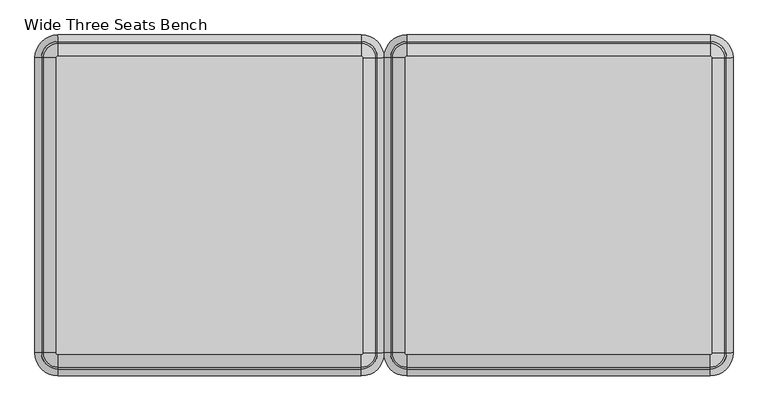
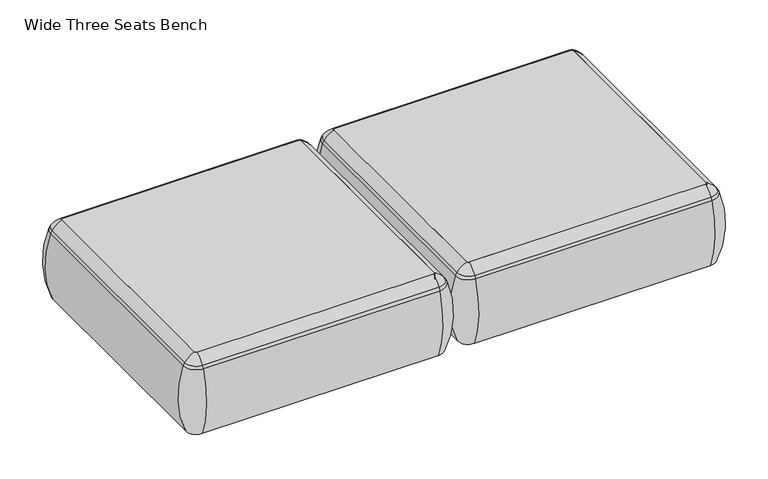
"""IFC4 building model written with IfcOpenShell, lengths in millimetres: furniture geometry, Wide Three Seats Bench."""

from ifc_helpers import new_model, si_unit, point, frame, frame_2d, origin, place, context, project, spatial, polyline, circle_curve, ellipse_curve, trimmed, segment, composite_curve, outline, extrude, source, transform, mapped, element, save
from ifc_brep_helpers import plane_surface, cylinder_surface, revolved_surface, advanced_brep


def wide_three_seats_bench_50f80e53(model_context):
    return source(origin(), model_context, "Body", "SolidModel", [
        advanced_brep(
        [(-550.6150954, -668.4794123, 390.3914007), (-545.3352882, -673.7592195, 390.3914007), (-545.3352882, -673.7592195, 123.9999984), (-550.6150954, -668.4794123, 123.9999984), (-579.3031396, -668.4794123, 123.9999984), (-545.3352882, -702.4472637, 123.9999984), (-545.3352882, -710.1267287, 353.7769053), (-586.9826046, -668.4794123, 353.7769053), (-550.6150954, 89.8571486, 123.9999984), (-550.6150954, 89.8571486, 390.3914007), (-586.9826046, 89.8571486, 353.7769053), (-579.3031396, 89.8571486, 123.9999984), (-545.3352882, 95.1369558, 390.3914007), (-545.3352882, 95.1369558, 123.9999984), (-545.3352882, 123.825, 123.9999984), (-545.3352882, 131.504465, 353.7769053), (234.4447118, 95.1369558, 123.9999984), (234.4447118, 95.1369558, 390.3914007), (234.4447118, 131.504465, 353.7769053), (234.4447118, 123.825, 123.9999984), (239.7245191, 89.8571486, 390.3914007), (239.7245191, 89.8571486, 123.9999984), (268.4125633, 89.8571486, 123.9999984), (276.0920283, 89.8571486, 353.7769053), (239.7245191, -668.4794123, 123.9999984), (239.7245191, -668.4794123, 390.3914007), (276.0920283, -668.4794123, 353.7769053), (268.4125633, -668.4794123, 123.9999984), (234.4447118, -673.7592195, 390.3914007), (234.4447118, -673.7592195, 123.9999984), (234.4447118, -702.4472637, 123.9999984), (234.4447118, -710.1267287, 353.7769053), (-581.7641447, -668.4794123, 363.6402875), (-545.3352882, -704.9082688, 363.6402875), (-581.7641447, 89.8571486, 363.6402875), (-545.3352882, 126.2860051, 363.6402875), (234.4447118, 126.2860051, 363.6402875), (270.8735684, 89.8571486, 363.6402875), (270.8735684, -668.4794123, 363.6402875), (234.4447118, -704.9082688, 363.6402875)],
        [
            (0, 1, circle_curve(frame((-545.3352882, -668.4794123, 390.3914007), z_axis=(0.0, 0.0, 1.0), x_axis=(0.0, -1.0, 0.0)), 5.2798073)),
            (1, 2),
            (2, 3, circle_curve(frame((-545.3352882, -668.4794123, 123.9999984), z_axis=(0.0, 0.0, -1.0), x_axis=(0.0, -1.0, 0.0)), 5.2798073)),
            (3, 0),
            (4, 5, circle_curve(frame((-545.3352882, -668.4794123, 123.9999984), z_axis=(0.0, 0.0, 1.0), x_axis=(0.0, -1.0, 0.0)), 33.9678514)),
            (5, 6, circle_curve(frame((-545.3352882, -406.0729797, 248.9220234), z_axis=(-1.0, 0.0, 0.0), x_axis=(0.0, -1.0, 0.0)), 321.625914)),
            (6, 7, circle_curve(frame((-545.3352882, -668.4794123, 353.7769053), z_axis=(0.0, 0.0, -1.0), x_axis=(0.0, -1.0, 0.0)), 41.6473165)),
            (7, 4, circle_curve(frame((-282.9288556, -668.4794123, 248.9220234), z_axis=(0.0, -1.0, 0.0), x_axis=(-1.0, 0.0, 0.0)), 321.625914)),
            (3, 8),
            (8, 9),
            (9, 0),
            (7, 10),
            (10, 11, circle_curve(frame((-282.9288556, 89.8571486, 248.9220234), z_axis=(0.0, -1.0, 0.0), x_axis=(-1.0, 0.0, 0.0)), 321.625914)),
            (11, 4),
            (12, 9, circle_curve(frame((-545.3352882, 89.8571486, 390.3914007), z_axis=(0.0, 0.0, 1.0), x_axis=(-1.0, 0.0, 0.0)), 5.2798073)),
            (8, 13, circle_curve(frame((-545.3352882, 89.8571486, 123.9999984), z_axis=(0.0, 0.0, -1.0), x_axis=(-1.0, 0.0, 0.0)), 5.2798073)),
            (13, 12),
            (14, 11, circle_curve(frame((-545.3352882, 89.8571486, 123.9999984), z_axis=(0.0, 0.0, 1.0), x_axis=(-1.0, 0.0, 0.0)), 33.9678514)),
            (10, 15, circle_curve(frame((-545.3352882, 89.8571486, 353.7769053), z_axis=(0.0, 0.0, -1.0), x_axis=(-1.0, 0.0, 0.0)), 41.6473165)),
            (15, 14, circle_curve(frame((-545.3352882, -172.549284, 248.9220234), z_axis=(-1.0, 0.0, 0.0), x_axis=(0.0, 1.0, 0.0)), 321.625914)),
            (13, 16),
            (16, 17),
            (17, 12),
            (15, 18),
            (18, 19, circle_curve(frame((234.4447118, -172.549284, 248.9220234), z_axis=(-1.0, 0.0, 0.0), x_axis=(0.0, 1.0, 0.0)), 321.625914)),
            (19, 14),
            (20, 17, circle_curve(frame((234.4447118, 89.8571486, 390.3914007), z_axis=(0.0, 0.0, 1.0), x_axis=(0.0, 1.0, 0.0)), 5.2798073)),
            (16, 21, circle_curve(frame((234.4447118, 89.8571486, 123.9999984), z_axis=(0.0, 0.0, -1.0), x_axis=(0.0, 1.0, 0.0)), 5.2798073)),
            (21, 20),
            (22, 19, circle_curve(frame((234.4447118, 89.8571486, 123.9999984), z_axis=(0.0, 0.0, 1.0), x_axis=(0.0, 1.0, 0.0)), 33.9678514)),
            (18, 23, circle_curve(frame((234.4447118, 89.8571486, 353.7769053), z_axis=(0.0, 0.0, -1.0), x_axis=(0.0, 1.0, 0.0)), 41.6473165)),
            (23, 22, circle_curve(frame((-27.9617207, 89.8571486, 248.9220234), z_axis=(0.0, 1.0, 0.0), x_axis=(1.0, 0.0, 0.0)), 321.625914)),
            (21, 24),
            (24, 25),
            (25, 20),
            (23, 26),
            (26, 27, circle_curve(frame((-27.9617207, -668.4794123, 248.9220234), z_axis=(0.0, 1.0, 0.0), x_axis=(1.0, 0.0, 0.0)), 321.625914)),
            (27, 22),
            (28, 25, circle_curve(frame((234.4447118, -668.4794123, 390.3914007), z_axis=(0.0, 0.0, 1.0), x_axis=(1.0, 0.0, 0.0)), 5.2798073)),
            (24, 29, circle_curve(frame((234.4447118, -668.4794123, 123.9999984), z_axis=(0.0, 0.0, -1.0), x_axis=(1.0, 0.0, 0.0)), 5.2798073)),
            (29, 28),
            (30, 27, circle_curve(frame((234.4447118, -668.4794123, 123.9999984), z_axis=(0.0, 0.0, 1.0), x_axis=(1.0, 0.0, 0.0)), 33.9678514)),
            (26, 31, circle_curve(frame((234.4447118, -668.4794123, 353.7769053), z_axis=(0.0, 0.0, -1.0), x_axis=(1.0, 0.0, 0.0)), 41.6473165)),
            (31, 30, circle_curve(frame((234.4447118, -406.0729797, 248.9220234), z_axis=(1.0, 0.0, 0.0), x_axis=(0.0, -1.0, 0.0)), 321.625914)),
            (30, 5),
            (2, 29),
            (1, 28),
            (31, 6),
            (32, 33, circle_curve(frame((-545.3352882, -668.4794123, 363.6402875), z_axis=(0.0, 0.0, 1.0), x_axis=(0.0, -1.0, 0.0)), 36.4288566)),
            (33, 1, circle_curve(frame((-545.3352882, -629.5266, 307.3762868), z_axis=(-1.0, 0.0, 0.0), x_axis=(0.0, -1.0, 0.0)), 94.0639876)),
            (0, 32, circle_curve(frame((-506.3824759, -668.4794123, 307.3762868), z_axis=(0.0, -1.0, 0.0), x_axis=(-1.0, 0.0, 0.0)), 94.0639876)),
            (6, 33, circle_curve(frame((-545.3352882, -675.8620096, 341.9604975), z_axis=(-1.0, 0.0, 0.0), x_axis=(0.0, -1.0, 0.0)), 36.2449785)),
            (32, 7, circle_curve(frame((-552.7178855, -668.4794123, 341.9604975), z_axis=(0.0, -1.0, 0.0), x_axis=(-1.0, 0.0, 0.0)), 36.2449785)),
            (9, 34, circle_curve(frame((-506.3824759, 89.8571486, 307.3762868), z_axis=(0.0, -1.0, 0.0), x_axis=(-1.0, 0.0, 0.0)), 94.0639876)),
            (34, 32),
            (34, 10, circle_curve(frame((-552.7178855, 89.8571486, 341.9604975), z_axis=(0.0, -1.0, 0.0), x_axis=(-1.0, 0.0, 0.0)), 36.2449785)),
            (35, 34, circle_curve(frame((-545.3352882, 89.8571486, 363.6402875), z_axis=(0.0, 0.0, 1.0), x_axis=(-1.0, 0.0, 0.0)), 36.4288566)),
            (12, 35, circle_curve(frame((-545.3352882, 50.9043363, 307.3762868), z_axis=(-1.0, 0.0, 0.0), x_axis=(0.0, 1.0, 0.0)), 94.0639876)),
            (35, 15, circle_curve(frame((-545.3352882, 97.2397459, 341.9604975), z_axis=(-1.0, 0.0, 0.0), x_axis=(0.0, 1.0, 0.0)), 36.2449785)),
            (17, 36, circle_curve(frame((234.4447118, 50.9043363, 307.3762868), z_axis=(-1.0, 0.0, 0.0), x_axis=(0.0, 1.0, 0.0)), 94.0639876)),
            (36, 35),
            (36, 18, circle_curve(frame((234.4447118, 97.2397459, 341.9604975), z_axis=(-1.0, 0.0, 0.0), x_axis=(0.0, 1.0, 0.0)), 36.2449785)),
            (37, 36, circle_curve(frame((234.4447118, 89.8571486, 363.6402875), z_axis=(0.0, 0.0, 1.0), x_axis=(0.0, 1.0, 0.0)), 36.4288566)),
            (20, 37, circle_curve(frame((195.4918996, 89.8571486, 307.3762868), z_axis=(0.0, 1.0, 0.0), x_axis=(1.0, 0.0, 0.0)), 94.0639876)),
            (37, 23, circle_curve(frame((241.8273092, 89.8571486, 341.9604975), z_axis=(0.0, 1.0, 0.0), x_axis=(1.0, 0.0, 0.0)), 36.2449785)),
            (25, 38, circle_curve(frame((195.4918996, -668.4794123, 307.3762868), z_axis=(0.0, 1.0, 0.0), x_axis=(1.0, 0.0, 0.0)), 94.0639876)),
            (38, 37),
            (38, 26, circle_curve(frame((241.8273092, -668.4794123, 341.9604975), z_axis=(0.0, 1.0, 0.0), x_axis=(1.0, 0.0, 0.0)), 36.2449785)),
            (39, 38, circle_curve(frame((234.4447118, -668.4794123, 363.6402875), z_axis=(0.0, 0.0, 1.0), x_axis=(1.0, 0.0, 0.0)), 36.4288566)),
            (28, 39, circle_curve(frame((234.4447118, -629.5266, 307.3762868), z_axis=(1.0, 0.0, 0.0), x_axis=(0.0, -1.0, 0.0)), 94.0639876)),
            (39, 31, circle_curve(frame((234.4447118, -675.8620096, 341.9604975), z_axis=(1.0, 0.0, 0.0), x_axis=(0.0, -1.0, 0.0)), 36.2449785)),
            (33, 39),
        ],
        [
            revolved_surface(polyline([(-545.3352882, -673.7592196, 123.9999984), (-545.3352882, -673.7592196, 390.3914007)]), (-545.3352882, -668.4794123, 0.0), (0.0, 0.0, -1.0)),
            revolved_surface(trimmed(ellipse_curve(frame((-545.3352882, -406.0729797, 248.9220234), z_axis=(1.0, 0.0, 0.0), x_axis=(0.0, -1.0, 0.0)), 321.625914, 321.625914), [point((-545.3352882, -710.1267287, 353.7769053))], [point((-545.3352882, -702.4472637, 123.9999984))], True, "CARTESIAN"), (-545.3352882, -668.4794123, 0.0), (0.0, 0.0, -1.0)),
            plane_surface(frame((-550.6150954, -668.4794123, 123.9999984), z_axis=(1.0, 0.0, 0.0), x_axis=(0.0, 1.0, 0.0))),
            cylinder_surface(frame((-282.9288556, -668.4794123, 248.9220234), z_axis=(0.0, -1.0, 0.0), x_axis=(-1.0, 0.0, 0.0)), 321.625914),
            revolved_surface(polyline([(-550.6150955, 89.8571486, 123.9999984), (-550.6150955, 89.8571486, 390.3914007)]), (-545.3352882, 89.8571486, 0.0), (0.0, 0.0, -1.0)),
            revolved_surface(trimmed(ellipse_curve(frame((-282.9288556, 89.8571486, 248.9220234), z_axis=(0.0, -1.0, 0.0), x_axis=(-1.0, 0.0, 0.0)), 321.625914, 321.625914), [point((-586.9826046, 89.8571486, 353.7769053))], [point((-579.3031396, 89.8571486, 123.9999984))], True, "CARTESIAN"), (-545.3352882, 89.8571486, 0.0), (0.0, 0.0, -1.0)),
            plane_surface(frame((-545.3352882, 95.1369558, 123.9999984), z_axis=(0.0, -1.0, 0.0), x_axis=(1.0, 0.0, 0.0))),
            cylinder_surface(frame((-545.3352882, -172.549284, 248.9220234), z_axis=(-1.0, 0.0, 0.0), x_axis=(0.0, 1.0, 0.0)), 321.625914),
            revolved_surface(polyline([(234.4447118, 95.1369559, 123.9999984), (234.4447118, 95.1369559, 390.3914007)]), (234.4447118, 89.8571486, 0.0), (0.0, 0.0, -1.0)),
            revolved_surface(trimmed(ellipse_curve(frame((234.4447118, -172.549284, 248.9220234), z_axis=(-1.0, 0.0, 0.0), x_axis=(0.0, 1.0, 0.0)), 321.625914, 321.625914), [point((234.4447118, 131.504465, 353.7769053))], [point((234.4447118, 123.825, 123.9999984))], True, "CARTESIAN"), (234.4447118, 89.8571486, 0.0), (0.0, 0.0, -1.0)),
            plane_surface(frame((239.7245191, 89.8571486, 123.9999984), z_axis=(-1.0, 0.0, 0.0), x_axis=(0.0, -1.0, 0.0))),
            cylinder_surface(frame((-27.9617207, 89.8571486, 248.9220234), z_axis=(0.0, 1.0, 0.0), x_axis=(1.0, 0.0, 0.0)), 321.625914),
            revolved_surface(polyline([(239.72451909999998, -668.4794123, 123.9999984), (239.72451909999998, -668.4794123, 390.3914007)]), (234.4447118, -668.4794123, 0.0), (0.0, 0.0, -1.0)),
            revolved_surface(trimmed(ellipse_curve(frame((-27.9617207, -668.4794123, 248.9220234), z_axis=(0.0, 1.0, 0.0), x_axis=(1.0, 0.0, 0.0)), 321.625914, 321.625914), [point((276.0920283, -668.4794123, 353.7769053))], [point((268.4125633, -668.4794123, 123.9999984))], True, "CARTESIAN"), (234.4447118, -668.4794123, 0.0), (0.0, 0.0, -1.0)),
            plane_surface(frame((234.4447118, -702.4472637, 123.9999984), z_axis=(0.0, 0.0, -1.0), x_axis=(-1.0, 0.0, 0.0))),
            plane_surface(frame((234.4447118, -673.7592195, 123.9999984), z_axis=(0.0, 1.0, 0.0), x_axis=(-1.0, 0.0, 0.0))),
            cylinder_surface(frame((234.4447118, -406.0729797, 248.9220234), z_axis=(1.0, 0.0, 0.0), x_axis=(0.0, -1.0, 0.0)), 321.625914),
            revolved_surface(trimmed(ellipse_curve(frame((-545.3352882, -629.5266, 307.3762868), z_axis=(1.0, 0.0, 0.0), x_axis=(0.0, -1.0, 0.0)), 94.0639876, 94.0639876), [point((-545.3352882, -673.7592195, 390.3914007))], [point((-545.3352882, -704.9082688, 363.6402875))], True, "CARTESIAN"), (-545.3352882, -668.4794123, 0.0), (0.0, 0.0, -1.0)),
            revolved_surface(trimmed(ellipse_curve(frame((-545.3352882, -675.8620096, 341.9604975), z_axis=(1.0, 0.0, 0.0), x_axis=(0.0, -1.0, 0.0)), 36.2449785, 36.2449785), [point((-545.3352882, -704.9082688, 363.6402875))], [point((-545.3352882, -710.1267287, 353.7769053))], True, "CARTESIAN"), (-545.3352882, -668.4794123, 0.0), (0.0, 0.0, -1.0)),
            cylinder_surface(frame((-506.3824759, -668.4794123, 307.3762868), z_axis=(0.0, -1.0, 0.0), x_axis=(-1.0, 0.0, 0.0)), 94.0639876),
            cylinder_surface(frame((-552.7178855, -668.4794123, 341.9604975), z_axis=(0.0, -1.0, 0.0), x_axis=(-1.0, 0.0, 0.0)), 36.2449785),
            revolved_surface(trimmed(ellipse_curve(frame((-506.3824759, 89.8571486, 307.3762868), z_axis=(0.0, -1.0, 0.0), x_axis=(-1.0, 0.0, 0.0)), 94.0639876, 94.0639876), [point((-550.6150954, 89.8571486, 390.3914007))], [point((-581.7641447, 89.8571486, 363.6402875))], True, "CARTESIAN"), (-545.3352882, 89.8571486, 0.0), (0.0, 0.0, -1.0)),
            revolved_surface(trimmed(ellipse_curve(frame((-552.7178855, 89.8571486, 341.9604975), z_axis=(0.0, -1.0, 0.0), x_axis=(-1.0, 0.0, 0.0)), 36.2449785, 36.2449785), [point((-581.7641447, 89.8571486, 363.6402875))], [point((-586.9826046, 89.8571486, 353.7769053))], True, "CARTESIAN"), (-545.3352882, 89.8571486, 0.0), (0.0, 0.0, -1.0)),
            cylinder_surface(frame((-545.3352882, 50.9043363, 307.3762868), z_axis=(-1.0, 0.0, 0.0), x_axis=(0.0, 1.0, 0.0)), 94.0639876),
            cylinder_surface(frame((-545.3352882, 97.2397459, 341.9604975), z_axis=(-1.0, 0.0, 0.0), x_axis=(0.0, 1.0, 0.0)), 36.2449785),
            revolved_surface(trimmed(ellipse_curve(frame((234.4447118, 50.9043363, 307.3762868), z_axis=(-1.0, 0.0, 0.0), x_axis=(0.0, 1.0, 0.0)), 94.0639876, 94.0639876), [point((234.4447118, 95.1369558, 390.3914007))], [point((234.4447118, 126.2860051, 363.6402875))], True, "CARTESIAN"), (234.4447118, 89.8571486, 0.0), (0.0, 0.0, -1.0)),
            revolved_surface(trimmed(ellipse_curve(frame((234.4447118, 97.2397459, 341.9604975), z_axis=(-1.0, 0.0, 0.0), x_axis=(0.0, 1.0, 0.0)), 36.2449785, 36.2449785), [point((234.4447118, 126.2860051, 363.6402875))], [point((234.4447118, 131.504465, 353.7769053))], True, "CARTESIAN"), (234.4447118, 89.8571486, 0.0), (0.0, 0.0, -1.0)),
            cylinder_surface(frame((195.4918996, 89.8571486, 307.3762868), z_axis=(0.0, 1.0, 0.0), x_axis=(1.0, 0.0, 0.0)), 94.0639876),
            cylinder_surface(frame((241.8273092, 89.8571486, 341.9604975), z_axis=(0.0, 1.0, 0.0), x_axis=(1.0, 0.0, 0.0)), 36.2449785),
            revolved_surface(trimmed(ellipse_curve(frame((195.4918996, -668.4794123, 307.3762868), z_axis=(0.0, 1.0, 0.0), x_axis=(1.0, 0.0, 0.0)), 94.0639876, 94.0639876), [point((239.7245191, -668.4794123, 390.3914007))], [point((270.8735684, -668.4794123, 363.6402875))], True, "CARTESIAN"), (234.4447118, -668.4794123, 0.0), (0.0, 0.0, -1.0)),
            revolved_surface(trimmed(ellipse_curve(frame((241.8273092, -668.4794123, 341.9604975), z_axis=(0.0, 1.0, 0.0), x_axis=(1.0, 0.0, 0.0)), 36.2449785, 36.2449785), [point((270.8735684, -668.4794123, 363.6402875))], [point((276.0920283, -668.4794123, 353.7769053))], True, "CARTESIAN"), (234.4447118, -668.4794123, 0.0), (0.0, 0.0, -1.0)),
            cylinder_surface(frame((234.4447118, -629.5266, 307.3762868), z_axis=(1.0, 0.0, 0.0), x_axis=(0.0, -1.0, 0.0)), 94.0639876),
            cylinder_surface(frame((234.4447118, -675.8620096, 341.9604975), z_axis=(1.0, 0.0, 0.0), x_axis=(0.0, -1.0, 0.0)), 36.2449785),
        ],
        [
            (0, [[1, 2, 3, 4]]),
            (1, [[5, 6, 7, 8]]),
            (2, [[-4, 9, 10, 11]]),
            (3, [[-8, 12, 13, 14]]),
            (4, [[15, -10, 16, 17]]),
            (5, [[18, -13, 19, 20]]),
            (6, [[-17, 21, 22, 23]]),
            (7, [[-20, 24, 25, 26]]),
            (8, [[27, -22, 28, 29]]),
            (9, [[30, -25, 31, 32]]),
            (10, [[-29, 33, 34, 35]]),
            (11, [[-32, 36, 37, 38]]),
            (12, [[39, -34, 40, 41]]),
            (13, [[42, -37, 43, 44]]),
            (14, [[-38, -42, 45, -5, -14, -18, -26, -30], [46, -40, -33, -28, -21, -16, -9, -3]]),
            (15, [[-41, -46, -2, 47]]),
            (16, [[-44, 48, -6, -45]]),
            (17, [[49, 50, -1, 51]]),
            (18, [[-7, 52, -49, 53]]),
            (19, [[-51, -11, 54, 55]]),
            (20, [[-53, -55, 56, -12]]),
            (21, [[57, -54, -15, 58]]),
            (22, [[-19, -56, -57, 59]]),
            (23, [[-58, -23, 60, 61]]),
            (24, [[-59, -61, 62, -24]]),
            (25, [[63, -60, -27, 64]]),
            (26, [[-31, -62, -63, 65]]),
            (27, [[-64, -35, 66, 67]]),
            (28, [[-65, -67, 68, -36]]),
            (29, [[69, -66, -39, 70]]),
            (30, [[-43, -68, -69, 71]]),
            (31, [[-70, -47, -50, 72]]),
            (32, [[-71, -72, -52, -48]]),
        ],
    ),
        extrude(outline(composite_curve([segment(trimmed(circle_curve(frame_2d((234.4447118, -668.4794123)), 5.2798073), [point((239.7245191, -668.4794123))], [point((234.4447118, -673.7592195))], False, "CARTESIAN"), True, "CONTINUOUS"), segment(polyline([(234.4447118, -673.7592195), (-545.3352882, -673.7592195)]), True, "CONTINUOUS"), segment(trimmed(circle_curve(frame_2d((-545.3352882, -668.4794123)), 5.2798073), [point((-545.3352882, -673.7592195))], [point((-550.6150954, -668.4794123))], False, "CARTESIAN"), True, "CONTINUOUS"), segment(polyline([(-550.6150954, -668.4794123), (-550.6150954, 89.8571486)]), True, "CONTINUOUS"), segment(trimmed(circle_curve(frame_2d((-545.3352882, 89.8571486)), 5.2798073), [point((-550.6150954, 89.8571486))], [point((-545.3352882, 95.1369558))], False, "CARTESIAN"), True, "CONTINUOUS"), segment(polyline([(-545.3352882, 95.1369558), (234.4447118, 95.1369558)]), True, "CONTINUOUS"), segment(trimmed(circle_curve(frame_2d((234.4447118, 89.8571486)), 5.2798073), [point((234.4447118, 95.1369558))], [point((239.7245191, 89.8571486))], False, "CARTESIAN"), True, "CONTINUOUS"), segment(polyline([(239.7245191, 89.8571486), (239.7245191, -668.4794123)]), True, "CONTINUOUS")], self_intersect=False)), frame((0.0, 0.0, 123.9999984), z_axis=(0.0, 0.0, 1.0), x_axis=(1.0, 0.0, 0.0)), (0.0, 0.0, 1.0), 266.3914023),
        advanced_brep(
        [(346.0148265, -668.4794123, 390.3914007), (351.2946337, -673.7592195, 390.3914007), (351.2946337, -673.7592195, 123.9999984), (346.0148265, -668.4794123, 123.9999984), (317.3267823, -668.4794123, 123.9999984), (351.2946337, -702.4472637, 123.9999984), (351.2946337, -710.1267287, 353.7769053), (309.6473173, -668.4794123, 353.7769053), (346.0148265, 89.8571486, 123.9999984), (346.0148265, 89.8571486, 390.3914007), (309.6473173, 89.8571486, 353.7769053), (317.3267823, 89.8571486, 123.9999984), (351.2946337, 95.1369558, 390.3914007), (351.2946337, 95.1369558, 123.9999984), (351.2946337, 123.825, 123.9999984), (351.2946337, 131.504465, 353.7769053), (1131.0746337, 95.1369558, 123.9999984), (1131.0746337, 95.1369558, 390.3914007), (1131.0746337, 131.504465, 353.7769053), (1131.0746337, 123.825, 123.9999984), (1136.354441, 89.8571486, 390.3914007), (1136.354441, 89.8571486, 123.9999984), (1165.0424852, 89.8571486, 123.9999984), (1172.7219502, 89.8571486, 353.7769053), (1136.354441, -668.4794123, 123.9999984), (1136.354441, -668.4794123, 390.3914007), (1172.7219502, -668.4794123, 353.7769053), (1165.0424852, -668.4794123, 123.9999984), (1131.0746337, -673.7592195, 390.3914007), (1131.0746337, -673.7592195, 123.9999984), (1131.0746337, -702.4472637, 123.9999984), (1131.0746337, -710.1267287, 353.7769053), (314.8657772, -668.4794123, 363.6402875), (351.2946337, -704.9082688, 363.6402875), (314.8657772, 89.8571486, 363.6402875), (351.2946337, 126.2860051, 363.6402875), (1131.0746337, 126.2860051, 363.6402875), (1167.5034903, 89.8571486, 363.6402875), (1167.5034903, -668.4794123, 363.6402875), (1131.0746337, -704.9082688, 363.6402875)],
        [
            (0, 1, circle_curve(frame((351.2946337, -668.4794123, 390.3914007), z_axis=(0.0, 0.0, 1.0), x_axis=(0.0, -1.0, 0.0)), 5.2798073)),
            (1, 2),
            (2, 3, circle_curve(frame((351.2946337, -668.4794123, 123.9999984), z_axis=(0.0, 0.0, -1.0), x_axis=(0.0, -1.0, 0.0)), 5.2798073)),
            (3, 0),
            (4, 5, circle_curve(frame((351.2946337, -668.4794123, 123.9999984), z_axis=(0.0, 0.0, 1.0), x_axis=(0.0, -1.0, 0.0)), 33.9678514)),
            (5, 6, circle_curve(frame((351.2946337, -406.0729797, 248.9220234), z_axis=(-1.0, 0.0, 0.0), x_axis=(0.0, -1.0, 0.0)), 321.625914)),
            (6, 7, circle_curve(frame((351.2946337, -668.4794123, 353.7769053), z_axis=(0.0, 0.0, -1.0), x_axis=(0.0, -1.0, 0.0)), 41.6473165)),
            (7, 4, circle_curve(frame((613.7010663, -668.4794123, 248.9220234), z_axis=(0.0, -1.0, 0.0), x_axis=(-1.0, 0.0, 0.0)), 321.625914)),
            (3, 8),
            (8, 9),
            (9, 0),
            (7, 10),
            (10, 11, circle_curve(frame((613.7010663, 89.8571486, 248.9220234), z_axis=(0.0, -1.0, 0.0), x_axis=(-1.0, 0.0, 0.0)), 321.625914)),
            (11, 4),
            (12, 9, circle_curve(frame((351.2946337, 89.8571486, 390.3914007), z_axis=(0.0, 0.0, 1.0), x_axis=(-1.0, 0.0, 0.0)), 5.2798073)),
            (8, 13, circle_curve(frame((351.2946337, 89.8571486, 123.9999984), z_axis=(0.0, 0.0, -1.0), x_axis=(-1.0, 0.0, 0.0)), 5.2798073)),
            (13, 12),
            (14, 11, circle_curve(frame((351.2946337, 89.8571486, 123.9999984), z_axis=(0.0, 0.0, 1.0), x_axis=(-1.0, 0.0, 0.0)), 33.9678514)),
            (10, 15, circle_curve(frame((351.2946337, 89.8571486, 353.7769053), z_axis=(0.0, 0.0, -1.0), x_axis=(-1.0, 0.0, 0.0)), 41.6473165)),
            (15, 14, circle_curve(frame((351.2946337, -172.549284, 248.9220234), z_axis=(-1.0, 0.0, 0.0), x_axis=(0.0, 1.0, 0.0)), 321.625914)),
            (13, 16),
            (16, 17),
            (17, 12),
            (15, 18),
            (18, 19, circle_curve(frame((1131.0746337, -172.549284, 248.9220234), z_axis=(-1.0, 0.0, 0.0), x_axis=(0.0, 1.0, 0.0)), 321.625914)),
            (19, 14),
            (20, 17, circle_curve(frame((1131.0746337, 89.8571486, 390.3914007), z_axis=(0.0, 0.0, 1.0), x_axis=(0.0, 1.0, 0.0)), 5.2798073)),
            (16, 21, circle_curve(frame((1131.0746337, 89.8571486, 123.9999984), z_axis=(0.0, 0.0, -1.0), x_axis=(0.0, 1.0, 0.0)), 5.2798073)),
            (21, 20),
            (22, 19, circle_curve(frame((1131.0746337, 89.8571486, 123.9999984), z_axis=(0.0, 0.0, 1.0), x_axis=(0.0, 1.0, 0.0)), 33.9678514)),
            (18, 23, circle_curve(frame((1131.0746337, 89.8571486, 353.7769053), z_axis=(0.0, 0.0, -1.0), x_axis=(0.0, 1.0, 0.0)), 41.6473165)),
            (23, 22, circle_curve(frame((868.6682012, 89.8571486, 248.9220234), z_axis=(0.0, 1.0, 0.0), x_axis=(1.0, 0.0, 0.0)), 321.625914)),
            (21, 24),
            (24, 25),
            (25, 20),
            (23, 26),
            (26, 27, circle_curve(frame((868.6682012, -668.4794123, 248.9220234), z_axis=(0.0, 1.0, 0.0), x_axis=(1.0, 0.0, 0.0)), 321.625914)),
            (27, 22),
            (28, 25, circle_curve(frame((1131.0746337, -668.4794123, 390.3914007), z_axis=(0.0, 0.0, 1.0), x_axis=(1.0, 0.0, 0.0)), 5.2798073)),
            (24, 29, circle_curve(frame((1131.0746337, -668.4794123, 123.9999984), z_axis=(0.0, 0.0, -1.0), x_axis=(1.0, 0.0, 0.0)), 5.2798073)),
            (29, 28),
            (30, 27, circle_curve(frame((1131.0746337, -668.4794123, 123.9999984), z_axis=(0.0, 0.0, 1.0), x_axis=(1.0, 0.0, 0.0)), 33.9678514)),
            (26, 31, circle_curve(frame((1131.0746337, -668.4794123, 353.7769053), z_axis=(0.0, 0.0, -1.0), x_axis=(1.0, 0.0, 0.0)), 41.6473165)),
            (31, 30, circle_curve(frame((1131.0746337, -406.0729797, 248.9220234), z_axis=(1.0, 0.0, 0.0), x_axis=(0.0, -1.0, 0.0)), 321.625914)),
            (30, 5),
            (2, 29),
            (1, 28),
            (31, 6),
            (32, 33, circle_curve(frame((351.2946337, -668.4794123, 363.6402875), z_axis=(0.0, 0.0, 1.0), x_axis=(0.0, -1.0, 0.0)), 36.4288566)),
            (33, 1, circle_curve(frame((351.2946337, -629.5266, 307.3762868), z_axis=(-1.0, 0.0, 0.0), x_axis=(0.0, -1.0, 0.0)), 94.0639876)),
            (0, 32, circle_curve(frame((390.247446, -668.4794123, 307.3762868), z_axis=(0.0, -1.0, 0.0), x_axis=(-1.0, 0.0, 0.0)), 94.0639876)),
            (6, 33, circle_curve(frame((351.2946337, -675.8620096, 341.9604975), z_axis=(-1.0, 0.0, 0.0), x_axis=(0.0, -1.0, 0.0)), 36.2449785)),
            (32, 7, circle_curve(frame((343.9120363, -668.4794123, 341.9604975), z_axis=(0.0, -1.0, 0.0), x_axis=(-1.0, 0.0, 0.0)), 36.2449785)),
            (9, 34, circle_curve(frame((390.247446, 89.8571486, 307.3762868), z_axis=(0.0, -1.0, 0.0), x_axis=(-1.0, 0.0, 0.0)), 94.0639876)),
            (34, 32),
            (34, 10, circle_curve(frame((343.9120363, 89.8571486, 341.9604975), z_axis=(0.0, -1.0, 0.0), x_axis=(-1.0, 0.0, 0.0)), 36.2449785)),
            (35, 34, circle_curve(frame((351.2946337, 89.8571486, 363.6402875), z_axis=(0.0, 0.0, 1.0), x_axis=(-1.0, 0.0, 0.0)), 36.4288566)),
            (12, 35, circle_curve(frame((351.2946337, 50.9043363, 307.3762868), z_axis=(-1.0, 0.0, 0.0), x_axis=(0.0, 1.0, 0.0)), 94.0639876)),
            (35, 15, circle_curve(frame((351.2946337, 97.2397459, 341.9604975), z_axis=(-1.0, 0.0, 0.0), x_axis=(0.0, 1.0, 0.0)), 36.2449785)),
            (17, 36, circle_curve(frame((1131.0746337, 50.9043363, 307.3762868), z_axis=(-1.0, 0.0, 0.0), x_axis=(0.0, 1.0, 0.0)), 94.0639876)),
            (36, 35),
            (36, 18, circle_curve(frame((1131.0746337, 97.2397459, 341.9604975), z_axis=(-1.0, 0.0, 0.0), x_axis=(0.0, 1.0, 0.0)), 36.2449785)),
            (37, 36, circle_curve(frame((1131.0746337, 89.8571486, 363.6402875), z_axis=(0.0, 0.0, 1.0), x_axis=(0.0, 1.0, 0.0)), 36.4288566)),
            (20, 37, circle_curve(frame((1092.1218215, 89.8571486, 307.3762868), z_axis=(0.0, 1.0, 0.0), x_axis=(1.0, 0.0, 0.0)), 94.0639876)),
            (37, 23, circle_curve(frame((1138.4572311, 89.8571486, 341.9604975), z_axis=(0.0, 1.0, 0.0), x_axis=(1.0, 0.0, 0.0)), 36.2449785)),
            (25, 38, circle_curve(frame((1092.1218215, -668.4794123, 307.3762868), z_axis=(0.0, 1.0, 0.0), x_axis=(1.0, 0.0, 0.0)), 94.0639876)),
            (38, 37),
            (38, 26, circle_curve(frame((1138.4572311, -668.4794123, 341.9604975), z_axis=(0.0, 1.0, 0.0), x_axis=(1.0, 0.0, 0.0)), 36.2449785)),
            (39, 38, circle_curve(frame((1131.0746337, -668.4794123, 363.6402875), z_axis=(0.0, 0.0, 1.0), x_axis=(1.0, 0.0, 0.0)), 36.4288566)),
            (28, 39, circle_curve(frame((1131.0746337, -629.5266, 307.3762868), z_axis=(1.0, 0.0, 0.0), x_axis=(0.0, -1.0, 0.0)), 94.0639876)),
            (39, 31, circle_curve(frame((1131.0746337, -675.8620096, 341.9604975), z_axis=(1.0, 0.0, 0.0), x_axis=(0.0, -1.0, 0.0)), 36.2449785)),
            (33, 39),
        ],
        [
            revolved_surface(polyline([(351.2946337, -673.7592196, 123.9999984), (351.2946337, -673.7592196, 390.3914007)]), (351.2946337, -668.4794123, 0.0), (0.0, 0.0, -1.0)),
            revolved_surface(trimmed(ellipse_curve(frame((351.2946337, -406.0729797, 248.9220234), z_axis=(1.0, 0.0, 0.0), x_axis=(0.0, -1.0, 0.0)), 321.625914, 321.625914), [point((351.2946337, -710.1267287, 353.7769053))], [point((351.2946337, -702.4472637, 123.9999984))], True, "CARTESIAN"), (351.2946337, -668.4794123, 0.0), (0.0, 0.0, -1.0)),
            plane_surface(frame((346.0148265, -668.4794123, 123.9999984), z_axis=(1.0, 0.0, 0.0), x_axis=(0.0, 1.0, 0.0))),
            cylinder_surface(frame((613.7010663, -668.4794123, 248.9220234), z_axis=(0.0, -1.0, 0.0), x_axis=(-1.0, 0.0, 0.0)), 321.625914),
            revolved_surface(polyline([(346.0148264, 89.8571486, 123.9999984), (346.0148264, 89.8571486, 390.3914007)]), (351.2946337, 89.8571486, 0.0), (0.0, 0.0, -1.0)),
            revolved_surface(trimmed(ellipse_curve(frame((613.7010663, 89.8571486, 248.9220234), z_axis=(0.0, -1.0, 0.0), x_axis=(-1.0, 0.0, 0.0)), 321.625914, 321.625914), [point((309.6473173, 89.8571486, 353.7769053))], [point((317.3267823, 89.8571486, 123.9999984))], True, "CARTESIAN"), (351.2946337, 89.8571486, 0.0), (0.0, 0.0, -1.0)),
            plane_surface(frame((351.2946337, 95.1369558, 123.9999984), z_axis=(0.0, -1.0, 0.0), x_axis=(1.0, 0.0, 0.0))),
            cylinder_surface(frame((351.2946337, -172.549284, 248.9220234), z_axis=(-1.0, 0.0, 0.0), x_axis=(0.0, 1.0, 0.0)), 321.625914),
            revolved_surface(polyline([(1131.0746337, 95.1369559, 123.9999984), (1131.0746337, 95.1369559, 390.3914007)]), (1131.0746337, 89.8571486, 0.0), (0.0, 0.0, -1.0)),
            revolved_surface(trimmed(ellipse_curve(frame((1131.0746337, -172.549284, 248.9220234), z_axis=(-1.0, 0.0, 0.0), x_axis=(0.0, 1.0, 0.0)), 321.625914, 321.625914), [point((1131.0746337, 131.504465, 353.7769053))], [point((1131.0746337, 123.825, 123.9999984))], True, "CARTESIAN"), (1131.0746337, 89.8571486, 0.0), (0.0, 0.0, -1.0)),
            plane_surface(frame((1136.354441, 89.8571486, 123.9999984), z_axis=(-1.0, 0.0, 0.0), x_axis=(0.0, -1.0, 0.0))),
            cylinder_surface(frame((868.6682012, 89.8571486, 248.9220234), z_axis=(0.0, 1.0, 0.0), x_axis=(1.0, 0.0, 0.0)), 321.625914),
            revolved_surface(polyline([(1136.354441, -668.4794123, 123.9999984), (1136.354441, -668.4794123, 390.3914007)]), (1131.0746337, -668.4794123, 0.0), (0.0, 0.0, -1.0)),
            revolved_surface(trimmed(ellipse_curve(frame((868.6682012, -668.4794123, 248.9220234), z_axis=(0.0, 1.0, 0.0), x_axis=(1.0, 0.0, 0.0)), 321.625914, 321.625914), [point((1172.7219502, -668.4794123, 353.7769053))], [point((1165.0424852, -668.4794123, 123.9999984))], True, "CARTESIAN"), (1131.0746337, -668.4794123, 0.0), (0.0, 0.0, -1.0)),
            plane_surface(frame((1131.0746337, -702.4472637, 123.9999984), z_axis=(0.0, 0.0, -1.0), x_axis=(-1.0, 0.0, 0.0))),
            plane_surface(frame((1131.0746337, -673.7592195, 123.9999984), z_axis=(0.0, 1.0, 0.0), x_axis=(-1.0, 0.0, 0.0))),
            cylinder_surface(frame((1131.0746337, -406.0729797, 248.9220234), z_axis=(1.0, 0.0, 0.0), x_axis=(0.0, -1.0, 0.0)), 321.625914),
            revolved_surface(trimmed(ellipse_curve(frame((351.2946337, -629.5266, 307.3762868), z_axis=(1.0, 0.0, 0.0), x_axis=(0.0, -1.0, 0.0)), 94.0639876, 94.0639876), [point((351.2946337, -673.7592195, 390.3914007))], [point((351.2946337, -704.9082688, 363.6402875))], True, "CARTESIAN"), (351.2946337, -668.4794123, 0.0), (0.0, 0.0, -1.0)),
            revolved_surface(trimmed(ellipse_curve(frame((351.2946337, -675.8620096, 341.9604975), z_axis=(1.0, 0.0, 0.0), x_axis=(0.0, -1.0, 0.0)), 36.2449785, 36.2449785), [point((351.2946337, -704.9082688, 363.6402875))], [point((351.2946337, -710.1267287, 353.7769053))], True, "CARTESIAN"), (351.2946337, -668.4794123, 0.0), (0.0, 0.0, -1.0)),
            cylinder_surface(frame((390.247446, -668.4794123, 307.3762868), z_axis=(0.0, -1.0, 0.0), x_axis=(-1.0, 0.0, 0.0)), 94.0639876),
            cylinder_surface(frame((343.9120363, -668.4794123, 341.9604975), z_axis=(0.0, -1.0, 0.0), x_axis=(-1.0, 0.0, 0.0)), 36.2449785),
            revolved_surface(trimmed(ellipse_curve(frame((390.247446, 89.8571486, 307.3762868), z_axis=(0.0, -1.0, 0.0), x_axis=(-1.0, 0.0, 0.0)), 94.0639876, 94.0639876), [point((346.0148265, 89.8571486, 390.3914007))], [point((314.8657772, 89.8571486, 363.6402875))], True, "CARTESIAN"), (351.2946337, 89.8571486, 0.0), (0.0, 0.0, -1.0)),
            revolved_surface(trimmed(ellipse_curve(frame((343.9120363, 89.8571486, 341.9604975), z_axis=(0.0, -1.0, 0.0), x_axis=(-1.0, 0.0, 0.0)), 36.2449785, 36.2449785), [point((314.8657772, 89.8571486, 363.6402875))], [point((309.6473173, 89.8571486, 353.7769053))], True, "CARTESIAN"), (351.2946337, 89.8571486, 0.0), (0.0, 0.0, -1.0)),
            cylinder_surface(frame((351.2946337, 50.9043363, 307.3762868), z_axis=(-1.0, 0.0, 0.0), x_axis=(0.0, 1.0, 0.0)), 94.0639876),
            cylinder_surface(frame((351.2946337, 97.2397459, 341.9604975), z_axis=(-1.0, 0.0, 0.0), x_axis=(0.0, 1.0, 0.0)), 36.2449785),
            revolved_surface(trimmed(ellipse_curve(frame((1131.0746337, 50.9043363, 307.3762868), z_axis=(-1.0, 0.0, 0.0), x_axis=(0.0, 1.0, 0.0)), 94.0639876, 94.0639876), [point((1131.0746337, 95.1369558, 390.3914007))], [point((1131.0746337, 126.2860051, 363.6402875))], True, "CARTESIAN"), (1131.0746337, 89.8571486, 0.0), (0.0, 0.0, -1.0)),
            revolved_surface(trimmed(ellipse_curve(frame((1131.0746337, 97.2397459, 341.9604975), z_axis=(-1.0, 0.0, 0.0), x_axis=(0.0, 1.0, 0.0)), 36.2449785, 36.2449785), [point((1131.0746337, 126.2860051, 363.6402875))], [point((1131.0746337, 131.504465, 353.7769053))], True, "CARTESIAN"), (1131.0746337, 89.8571486, 0.0), (0.0, 0.0, -1.0)),
            cylinder_surface(frame((1092.1218215, 89.8571486, 307.3762868), z_axis=(0.0, 1.0, 0.0), x_axis=(1.0, 0.0, 0.0)), 94.0639876),
            cylinder_surface(frame((1138.4572311, 89.8571486, 341.9604975), z_axis=(0.0, 1.0, 0.0), x_axis=(1.0, 0.0, 0.0)), 36.2449785),
            revolved_surface(trimmed(ellipse_curve(frame((1092.1218215, -668.4794123, 307.3762868), z_axis=(0.0, 1.0, 0.0), x_axis=(1.0, 0.0, 0.0)), 94.0639876, 94.0639876), [point((1136.354441, -668.4794123, 390.3914007))], [point((1167.5034903, -668.4794123, 363.6402875))], True, "CARTESIAN"), (1131.0746337, -668.4794123, 0.0), (0.0, 0.0, -1.0)),
            revolved_surface(trimmed(ellipse_curve(frame((1138.4572311, -668.4794123, 341.9604975), z_axis=(0.0, 1.0, 0.0), x_axis=(1.0, 0.0, 0.0)), 36.2449785, 36.2449785), [point((1167.5034903, -668.4794123, 363.6402875))], [point((1172.7219502, -668.4794123, 353.7769053))], True, "CARTESIAN"), (1131.0746337, -668.4794123, 0.0), (0.0, 0.0, -1.0)),
            cylinder_surface(frame((1131.0746337, -629.5266, 307.3762868), z_axis=(1.0, 0.0, 0.0), x_axis=(0.0, -1.0, 0.0)), 94.0639876),
            cylinder_surface(frame((1131.0746337, -675.8620096, 341.9604975), z_axis=(1.0, 0.0, 0.0), x_axis=(0.0, -1.0, 0.0)), 36.2449785),
        ],
        [
            (0, [[1, 2, 3, 4]]),
            (1, [[5, 6, 7, 8]]),
            (2, [[-4, 9, 10, 11]]),
            (3, [[-8, 12, 13, 14]]),
            (4, [[15, -10, 16, 17]]),
            (5, [[18, -13, 19, 20]]),
            (6, [[-17, 21, 22, 23]]),
            (7, [[-20, 24, 25, 26]]),
            (8, [[27, -22, 28, 29]]),
            (9, [[30, -25, 31, 32]]),
            (10, [[-29, 33, 34, 35]]),
            (11, [[-32, 36, 37, 38]]),
            (12, [[39, -34, 40, 41]]),
            (13, [[42, -37, 43, 44]]),
            (14, [[-38, -42, 45, -5, -14, -18, -26, -30], [46, -40, -33, -28, -21, -16, -9, -3]]),
            (15, [[-41, -46, -2, 47]]),
            (16, [[-44, 48, -6, -45]]),
            (17, [[49, 50, -1, 51]]),
            (18, [[-7, 52, -49, 53]]),
            (19, [[-51, -11, 54, 55]]),
            (20, [[-53, -55, 56, -12]]),
            (21, [[57, -54, -15, 58]]),
            (22, [[-19, -56, -57, 59]]),
            (23, [[-58, -23, 60, 61]]),
            (24, [[-59, -61, 62, -24]]),
            (25, [[63, -60, -27, 64]]),
            (26, [[-31, -62, -63, 65]]),
            (27, [[-64, -35, 66, 67]]),
            (28, [[-65, -67, 68, -36]]),
            (29, [[69, -66, -39, 70]]),
            (30, [[-43, -68, -69, 71]]),
            (31, [[-70, -47, -50, 72]]),
            (32, [[-71, -72, -52, -48]]),
        ],
    ),
        extrude(outline(composite_curve([segment(trimmed(circle_curve(frame_2d((1131.0746337, -668.4794123)), 5.2798073), [point((1136.354441, -668.4794123))], [point((1131.0746337, -673.7592195))], False, "CARTESIAN"), True, "CONTINUOUS"), segment(polyline([(1131.0746337, -673.7592195), (351.2946337, -673.7592195)]), True, "CONTINUOUS"), segment(trimmed(circle_curve(frame_2d((351.2946337, -668.4794123)), 5.2798073), [point((351.2946337, -673.7592195))], [point((346.0148265, -668.4794123))], False, "CARTESIAN"), True, "CONTINUOUS"), segment(polyline([(346.0148265, -668.4794123), (346.0148265, 89.8571486)]), True, "CONTINUOUS"), segment(trimmed(circle_curve(frame_2d((351.2946337, 89.8571486)), 5.2798073), [point((346.0148265, 89.8571486))], [point((351.2946337, 95.1369558))], False, "CARTESIAN"), True, "CONTINUOUS"), segment(polyline([(351.2946337, 95.1369558), (1131.0746337, 95.1369558)]), True, "CONTINUOUS"), segment(trimmed(circle_curve(frame_2d((1131.0746337, 89.8571486)), 5.2798073), [point((1131.0746337, 95.1369558))], [point((1136.354441, 89.8571486))], False, "CARTESIAN"), True, "CONTINUOUS"), segment(polyline([(1136.354441, 89.8571486), (1136.354441, -668.4794123)]), True, "CONTINUOUS")], self_intersect=False)), frame((0.0, 0.0, 123.9999984), z_axis=(0.0, 0.0, 1.0), x_axis=(1.0, 0.0, 0.0)), (0.0, 0.0, 1.0), 266.3914023),
    ])


if __name__ == "__main__":
    model = new_model("IFC4")
    model_context = context("Model", 3, world=origin())
    ifc_project = project(units=[si_unit("LENGTHUNIT", "METRE", prefix="MILLI")], contexts=[model_context])
    site = spatial("IfcSite", under=ifc_project)
    building = spatial("IfcBuilding", under=site)
    placement = place(None, origin())
    wide_three_seats_bench_shape = wide_three_seats_bench_50f80e53(model_context)
    element("IfcFurniture", 1, ObjectType="Wide Three Seats Bench", at=placement, inside=building, context=model_context, shape_type="MappedRepresentation", body=[
        mapped(wide_three_seats_bench_shape, transform((0.0, 0.0, 0.0), x_axis=(1.0, 0.0, 0.0), y_axis=(0.0, 1.0, 0.0), z_axis=(0.0, 0.0, 1.0))),
    ])
    save(model, "model.ifc")
